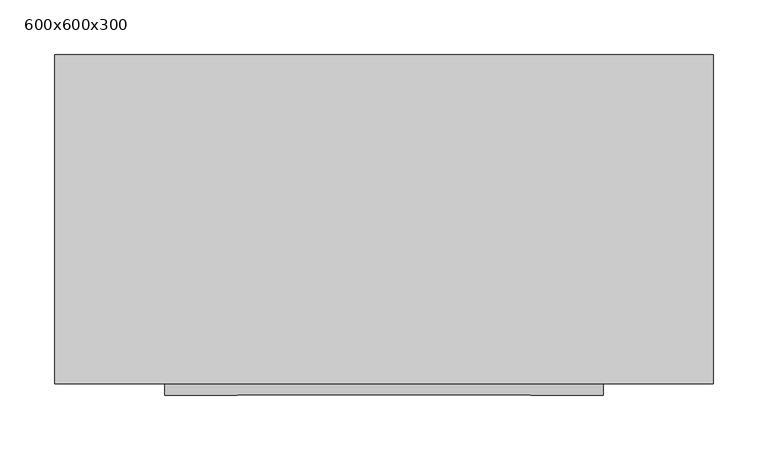
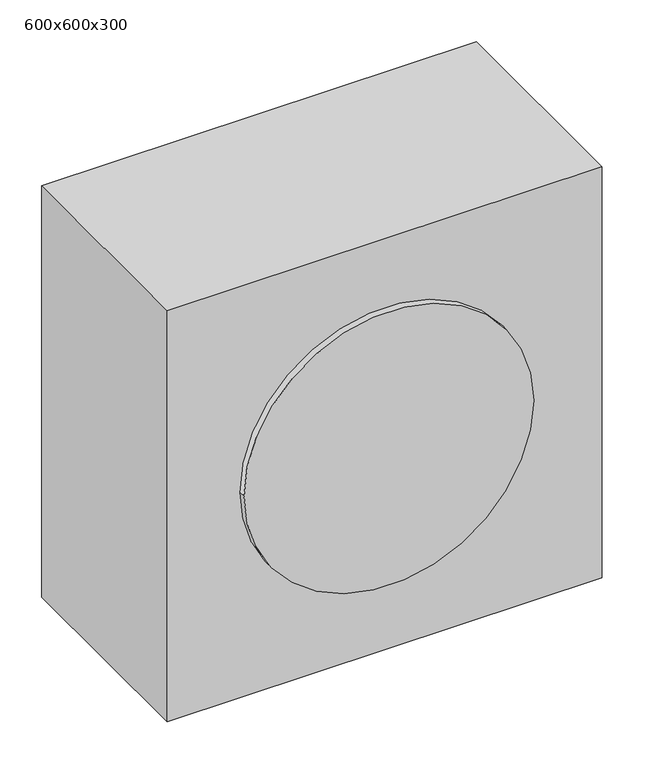
"""IFC4 building model written with IfcOpenShell, lengths in millimetres: proxy geometry, 600x600x300."""

from ifc_helpers import new_model, si_unit, point, frame, frame_2d, origin, origin_with_axes, place, context, project, spatial, polyline, circle_curve, trimmed, segment, composite_curve, outline, extrude, source, transform, mapped, element, save


def proxy_600x600x300_81664a67(model_context):
    return source(origin(), model_context, "Body", "SweptSolid", [
        extrude(outline(polyline([(-220.0924812, -60.0), (379.9075188, -60.0), (379.9075188, -360.0), (-220.0924812, -360.0), (-220.0924812, -60.0)])), origin_with_axes(), (0.0, 0.0, 1.0), 600.0),
        extrude(outline(composite_curve([segment(trimmed(circle_curve(frame_2d((300.0, 79.9075188)), 200.0), [point((300.0, -120.0924812))], [point((300.0, 279.9075188))], False, "CARTESIAN"), True, "CONTINUOUS"), segment(trimmed(circle_curve(frame_2d((300.0, 79.9075188)), 200.0), [point((300.0, 279.9075188))], [point((300.0, -120.0924812))], False, "CARTESIAN"), True, "CONTINUOUS")], self_intersect=False)), frame((0.0, -370.0, 0.0), z_axis=(0.0, 1.0, 0.0), x_axis=(0.0, 0.0, 1.0)), (0.0, 0.0, 1.0), 10.0),
    ])


if __name__ == "__main__":
    model = new_model("IFC4")
    model_context = context("Model", 3, world=origin())
    ifc_project = project(units=[si_unit("LENGTHUNIT", "METRE", prefix="MILLI")], contexts=[model_context])
    site = spatial("IfcSite", under=ifc_project)
    building = spatial("IfcBuilding", under=site)
    placement = place(None, origin())
    proxy_600x600x300_shape = proxy_600x600x300_81664a67(model_context)
    element("IfcBuildingElementProxy", 1, Name="600x600x300", ObjectType="600x600x300", at=placement, inside=building, context=model_context, shape_type="MappedRepresentation", body=[
        mapped(proxy_600x600x300_shape, transform((0.0, 0.0, 0.0), x_axis=(1.0, 0.0, 0.0), y_axis=(0.0, 1.0, 0.0), z_axis=(0.0, 0.0, 1.0))),
    ])
    save(model, "model.ifc")
